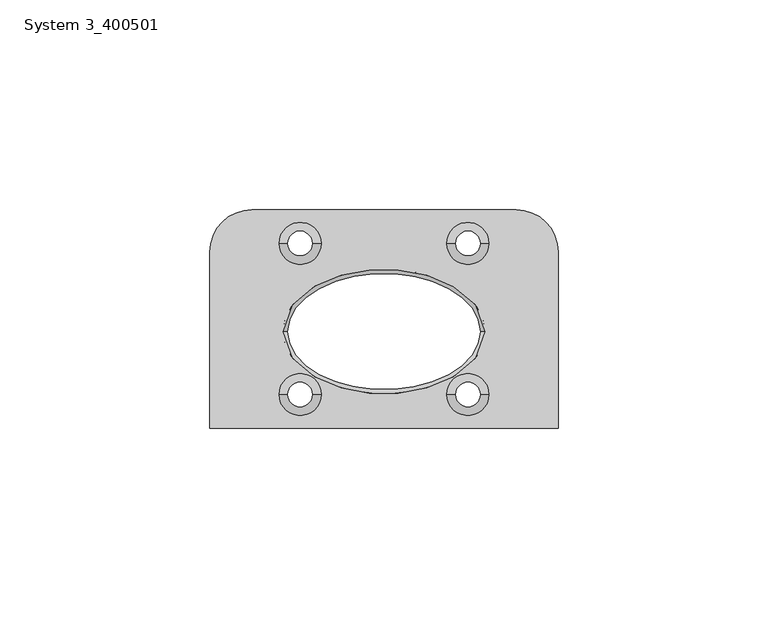
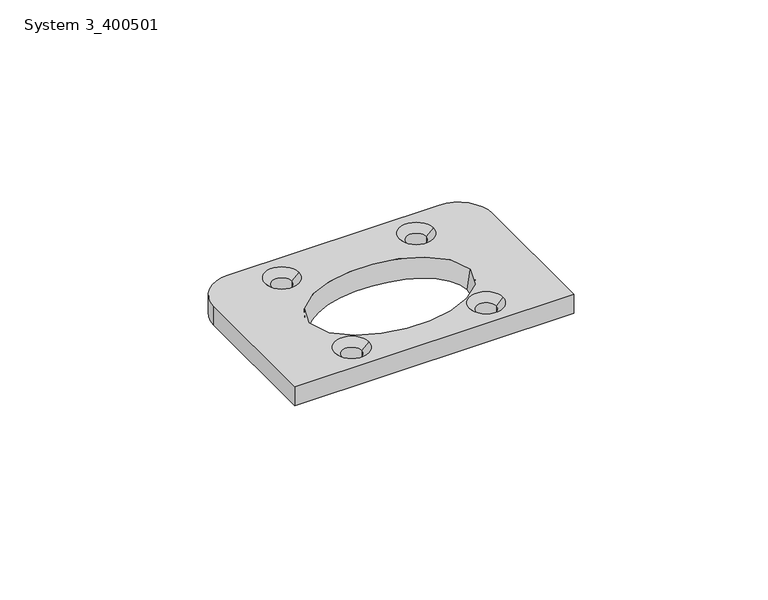
"""IFC4 building model written with IfcOpenShell, lengths in millimetres: proxy geometry, System 3_400501."""

from ifc_helpers import new_model, si_unit, frame, origin, origin_with_axes, place, context, project, spatial, polyline, circle_curve, ellipse_curve, source, transform, mapped, element, save
from ifc_brep_helpers import plane_surface, cylinder_surface, revolved_surface, spline_surface, advanced_brep


def system_3_400501_8f1405ab(model_context):
    return source(origin(), model_context, "Body", "AdvancedBrep", [
        advanced_brep(
        [(41.5, -23.0, 6.0), (41.5, 19.0, 6.0), (31.5, 29.0, 6.0), (-31.5, 29.0, 6.0), (-41.5, 19.0, 6.0), (-41.5, -23.0, 6.0), (24.0, 0.0, 6.0), (-24.0, 0.0, 6.0), (-25.0, -15.0, 6.0), (-15.0, -15.0, 6.0), (15.0, -15.0, 6.0), (25.0, -15.0, 6.0), (15.0, 21.0, 6.0), (25.0, 21.0, 6.0), (-25.0, 21.0, 6.0), (-15.0, 21.0, 6.0), (41.5, -23.0, 0.0), (-41.5, -23.0, 0.0), (-41.5, 19.0, 0.0), (-31.5, 29.0, 0.0), (31.5, 29.0, 0.0), (41.5, 19.0, 0.0), (-23.0, 0.0, 0.0), (23.0, 0.0, 0.0), (-17.0, -15.0, 0.0), (-23.0, -15.0, 0.0), (23.0, -15.0, 0.0), (17.0, -15.0, 0.0), (23.0, 21.0, 0.0), (17.0, 21.0, 0.0), (-17.0, 21.0, 0.0), (-23.0, 21.0, 0.0), (-17.0, -15.0, 4.0), (-23.0, -15.0, 4.0), (23.0, -15.0, 4.0), (17.0, -15.0, 4.0), (23.0, 21.0, 4.0), (17.0, 21.0, 4.0), (-17.0, 21.0, 4.0), (-23.0, 21.0, 4.0)],
        [
            (0, 1),
            (1, 2, circle_curve(frame((31.5, 19.0, 6.0), z_axis=(0.0, 0.0, 1.0), x_axis=(1.0, 0.0, 0.0)), 10.0)),
            (2, 3),
            (3, 4, circle_curve(frame((-31.5, 19.0, 6.0), z_axis=(0.0, 0.0, 1.0), x_axis=(1.0, 0.0, 0.0)), 10.0)),
            (4, 5),
            (5, 0),
            (6, 7, ellipse_curve(frame((0.0, 0.0, 6.0), z_axis=(0.0, 0.0, -1.0), x_axis=(1.0, 0.0, 0.0)), 24.0, 14.8)),
            (7, 6, ellipse_curve(frame((0.0, 0.0, 6.0), z_axis=(0.0, 0.0, -1.0), x_axis=(1.0, 0.0, 0.0)), 24.0, 14.8)),
            (8, 9, circle_curve(frame((-20.0, -15.0, 6.0), z_axis=(0.0, 0.0, -1.0), x_axis=(-1.0, 0.0, 0.0)), 5.0)),
            (9, 8, circle_curve(frame((-20.0, -15.0, 6.0), z_axis=(0.0, 0.0, -1.0), x_axis=(-1.0, 0.0, 0.0)), 5.0)),
            (10, 11, circle_curve(frame((20.0, -15.0, 6.0), z_axis=(0.0, 0.0, -1.0), x_axis=(-1.0, 0.0, 0.0)), 5.0)),
            (11, 10, circle_curve(frame((20.0, -15.0, 6.0), z_axis=(0.0, 0.0, -1.0), x_axis=(-1.0, 0.0, 0.0)), 5.0)),
            (12, 13, circle_curve(frame((20.0, 21.0, 6.0), z_axis=(0.0, 0.0, -1.0), x_axis=(-1.0, 0.0, 0.0)), 5.0)),
            (13, 12, circle_curve(frame((20.0, 21.0, 6.0), z_axis=(0.0, 0.0, -1.0), x_axis=(-1.0, 0.0, 0.0)), 5.0)),
            (14, 15, circle_curve(frame((-20.0, 21.0, 6.0), z_axis=(0.0, 0.0, -1.0), x_axis=(-1.0, 0.0, 0.0)), 5.0)),
            (15, 14, circle_curve(frame((-20.0, 21.0, 6.0), z_axis=(0.0, 0.0, -1.0), x_axis=(-1.0, 0.0, 0.0)), 5.0)),
            (16, 17),
            (17, 18),
            (18, 19, circle_curve(frame((-31.5, 19.0, 0.0), z_axis=(0.0, 0.0, -1.0), x_axis=(1.0, 0.0, 0.0)), 10.0)),
            (19, 20),
            (20, 21, circle_curve(frame((31.5, 19.0, 0.0), z_axis=(0.0, 0.0, -1.0), x_axis=(1.0, 0.0, 0.0)), 10.0)),
            (21, 16),
            (22, 23, ellipse_curve(origin_with_axes(), 23.0, 13.8)),
            (23, 22, ellipse_curve(origin_with_axes(), 23.0, 13.8)),
            (24, 25, circle_curve(frame((-20.0, -15.0, 0.0), z_axis=(0.0, 0.0, 1.0), x_axis=(-1.0, 0.0, 0.0)), 3.0)),
            (25, 24, circle_curve(frame((-20.0, -15.0, 0.0), z_axis=(0.0, 0.0, 1.0), x_axis=(-1.0, 0.0, 0.0)), 3.0)),
            (26, 27, circle_curve(frame((20.0, -15.0, 0.0), z_axis=(0.0, 0.0, 1.0), x_axis=(-1.0, 0.0, 0.0)), 3.0)),
            (27, 26, circle_curve(frame((20.0, -15.0, 0.0), z_axis=(0.0, 0.0, 1.0), x_axis=(-1.0, 0.0, 0.0)), 3.0)),
            (28, 29, circle_curve(frame((20.0, 21.0, 0.0), z_axis=(0.0, 0.0, 1.0), x_axis=(-1.0, 0.0, 0.0)), 3.0)),
            (29, 28, circle_curve(frame((20.0, 21.0, 0.0), z_axis=(0.0, 0.0, 1.0), x_axis=(-1.0, 0.0, 0.0)), 3.0)),
            (30, 31, circle_curve(frame((-20.0, 21.0, 0.0), z_axis=(0.0, 0.0, 1.0), x_axis=(-1.0, 0.0, 0.0)), 3.0)),
            (31, 30, circle_curve(frame((-20.0, 21.0, 0.0), z_axis=(0.0, 0.0, 1.0), x_axis=(-1.0, 0.0, 0.0)), 3.0)),
            (22, 7),
            (6, 23),
            (0, 16),
            (21, 1),
            (20, 2),
            (19, 3),
            (18, 4),
            (17, 5),
            (32, 9),
            (8, 33),
            (33, 32, circle_curve(frame((-20.0, -15.0, 4.0), z_axis=(0.0, 0.0, -1.0), x_axis=(-1.0, 0.0, 0.0)), 3.0)),
            (32, 33, circle_curve(frame((-20.0, -15.0, 4.0), z_axis=(0.0, 0.0, -1.0), x_axis=(-1.0, 0.0, 0.0)), 3.0)),
            (33, 25),
            (24, 32),
            (34, 11),
            (10, 35),
            (35, 34, circle_curve(frame((20.0, -15.0, 4.0), z_axis=(0.0, 0.0, -1.0), x_axis=(-1.0, 0.0, 0.0)), 3.0)),
            (34, 35, circle_curve(frame((20.0, -15.0, 4.0), z_axis=(0.0, 0.0, -1.0), x_axis=(-1.0, 0.0, 0.0)), 3.0)),
            (35, 27),
            (26, 34),
            (36, 13),
            (12, 37),
            (37, 36, circle_curve(frame((20.0, 21.0, 4.0), z_axis=(0.0, 0.0, -1.0), x_axis=(-1.0, 0.0, 0.0)), 3.0)),
            (36, 37, circle_curve(frame((20.0, 21.0, 4.0), z_axis=(0.0, 0.0, -1.0), x_axis=(-1.0, 0.0, 0.0)), 3.0)),
            (37, 29),
            (28, 36),
            (38, 15),
            (14, 39),
            (39, 38, circle_curve(frame((-20.0, 21.0, 4.0), z_axis=(0.0, 0.0, -1.0), x_axis=(-1.0, 0.0, 0.0)), 3.0)),
            (38, 39, circle_curve(frame((-20.0, 21.0, 4.0), z_axis=(0.0, 0.0, -1.0), x_axis=(-1.0, 0.0, 0.0)), 3.0)),
            (39, 31),
            (30, 38),
        ],
        [
            plane_surface(frame((41.5, -23.0, 6.0), z_axis=(0.0, 0.0, 1.0), x_axis=(0.0, 1.0, 0.0))),
            plane_surface(frame((41.5, -23.0, 0.0), z_axis=(0.0, 0.0, -1.0), x_axis=(0.0, -1.0, 0.0))),
            spline_surface(1, 2, [[(-23.0, 0.0, 0.0), (-23.0, -13.8, 0.0), (0.0, -13.8, 0.0), (23.0, -13.8, 0.0), (23.0, 0.0, 0.0)], [(-24.0, 0.0, 6.0), (-24.0, -14.8, 6.0), (0.0, -14.8, 6.0), (24.0, -14.8, 6.0), (24.0, 0.0, 6.0)]], [2, 2], [3, 2, 3], [0.0, 1.0], [0.0, 1.0, 2.0], weights=[[1.0, 0.7071067811865476, 1.0, 0.7071067811865476, 1.0], [1.0, 0.7071067811865476, 1.0, 0.7071067811865476, 1.0]]),
            spline_surface(1, 2, [[(23.0, 0.0, 0.0), (23.0, 13.8, 0.0), (0.0, 13.8, 0.0), (-23.0, 13.8, 0.0), (-23.0, 0.0, 0.0)], [(24.0, 0.0, 6.0), (24.0, 14.8, 6.0), (0.0, 14.8, 6.0), (-24.0, 14.8, 6.0), (-24.0, 0.0, 6.0)]], [2, 2], [3, 2, 3], [0.0, 1.0], [0.0, 1.0, 2.0], weights=[[1.0, 0.7071067811865476, 1.0, 0.7071067811865476, 1.0], [1.0, 0.7071067811865476, 1.0, 0.7071067811865476, 1.0]]),
            plane_surface(frame((41.5, -23.0, 6.0), z_axis=(1.0, 0.0, 0.0), x_axis=(0.0, 0.0, -1.0))),
            cylinder_surface(frame((31.5, 19.0, 0.0), z_axis=(0.0, 0.0, 1.0), x_axis=(1.0, 0.0, 0.0)), 10.0),
            plane_surface(frame((31.5, 29.0, 6.0), z_axis=(0.0, 1.0, 0.0), x_axis=(0.0, 0.0, -1.0))),
            cylinder_surface(frame((-31.5, 19.0, 0.0), z_axis=(0.0, 0.0, 1.0), x_axis=(1.0, 0.0, 0.0)), 10.0),
            plane_surface(frame((-41.5, 19.0, 6.0), z_axis=(-1.0, 0.0, 0.0), x_axis=(0.0, 0.0, -1.0))),
            plane_surface(frame((-41.5, -23.0, 6.0), z_axis=(0.0, -1.0, 0.0), x_axis=(0.0, 0.0, -1.0))),
            revolved_surface(polyline([(-23.0, -15.0, 4.0), (-25.0, -15.0, 6.0)]), (-20.0, -15.0, 7.0092579), (0.0, 0.0, -1.0)),
            revolved_surface(polyline([(-23.0, -15.0, 0.0), (-23.0, -15.0, 4.0)]), (-20.0, -15.0, 7.0092579), (0.0, 0.0, -1.0)),
            revolved_surface(polyline([(17.0, -15.0, 4.0), (15.0, -15.0, 6.0)]), (20.0, -15.0, 7.0092579), (0.0, 0.0, -1.0)),
            revolved_surface(polyline([(17.0, -15.0, 0.0), (17.0, -15.0, 4.0)]), (20.0, -15.0, 7.0092579), (0.0, 0.0, -1.0)),
            revolved_surface(polyline([(17.0, 21.0, 4.0), (15.0, 21.0, 6.0)]), (20.0, 21.0, 7.0092579), (0.0, 0.0, -1.0)),
            revolved_surface(polyline([(17.0, 21.0, 0.0), (17.0, 21.0, 4.0)]), (20.0, 21.0, 7.0092579), (0.0, 0.0, -1.0)),
            revolved_surface(polyline([(-23.0, 21.0, 4.0), (-25.0, 21.0, 6.0)]), (-20.0, 21.0, 7.0092579), (0.0, 0.0, -1.0)),
            revolved_surface(polyline([(-23.0, 21.0, 0.0), (-23.0, 21.0, 4.0)]), (-20.0, 21.0, 7.0092579), (0.0, 0.0, -1.0)),
        ],
        [
            (0, [[1, 2, 3, 4, 5, 6], [7, 8], [9, 10], [11, 12], [13, 14], [15, 16]]),
            (1, [[17, 18, 19, 20, 21, 22], [23, 24], [25, 26], [27, 28], [29, 30], [31, 32]]),
            (2, [[33, -7, 34, -23]]),
            (3, [[-33, -24, -34, -8]]),
            (4, [[-1, 35, -22, 36]]),
            (5, [[-2, -36, -21, 37]]),
            (6, [[-3, -37, -20, 38]]),
            (7, [[-4, -38, -19, 39]]),
            (8, [[-5, -39, -18, 40]]),
            (9, [[-6, -40, -17, -35]]),
            (10, [[41, -9, 42, 43]]),
            (10, [[-41, 44, -42, -10]]),
            (11, [[-43, 45, -25, 46]]),
            (11, [[-44, -46, -26, -45]]),
            (12, [[47, -11, 48, 49]]),
            (12, [[-47, 50, -48, -12]]),
            (13, [[-49, 51, -27, 52]]),
            (13, [[-50, -52, -28, -51]]),
            (14, [[53, -13, 54, 55]]),
            (14, [[-53, 56, -54, -14]]),
            (15, [[-55, 57, -29, 58]]),
            (15, [[-56, -58, -30, -57]]),
            (16, [[59, -15, 60, 61]]),
            (16, [[-59, 62, -60, -16]]),
            (17, [[-61, 63, -31, 64]]),
            (17, [[-62, -64, -32, -63]]),
        ],
    ),
    ])


if __name__ == "__main__":
    model = new_model("IFC4")
    model_context = context("Model", 3, world=origin())
    ifc_project = project(units=[si_unit("LENGTHUNIT", "METRE", prefix="MILLI")], contexts=[model_context])
    site = spatial("IfcSite", under=ifc_project)
    building = spatial("IfcBuilding", under=site)
    placement = place(None, origin())
    system_3_400501_shape = system_3_400501_8f1405ab(model_context)
    element("IfcBuildingElementProxy", 1, Name="System 3_400501", ObjectType="System 3_400501", at=placement, inside=building, context=model_context, shape_type="MappedRepresentation", body=[
        mapped(system_3_400501_shape, transform((0.0, 0.0, 0.0), x_axis=(1.0, 0.0, 0.0), y_axis=(0.0, 1.0, 0.0), z_axis=(0.0, 0.0, 1.0))),
    ])
    save(model, "model.ifc")
